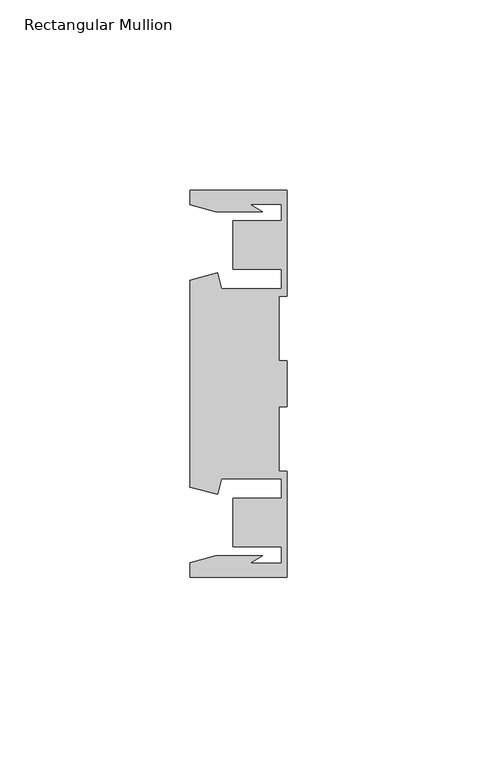
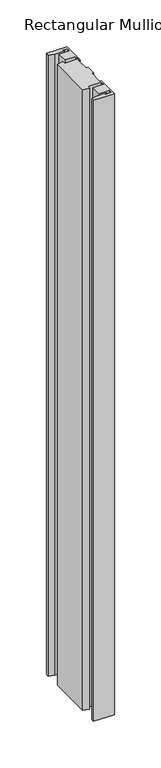
"""IFC4 building model written with IfcOpenShell, lengths in millimetres: member geometry, Rectangular Mullion."""

from ifc_helpers import new_model, si_unit, frame, origin, place, context, project, spatial, polyline, outline, extrude, source, transform, mapped, element, save


def rectangular_mullion_8235e776(model_context):
    return source(origin(), model_context, "Body", "SweptSolid", [
        extrude(outline(polyline([(-25.4, 50.7954622), (0.0, 50.7954622), (0.0, 22.9938072), (-2.0000011, 22.9938072), (-2.0000011, 6.0000032), (0.0, 6.0000032), (0.0, -6.0000032), (-2.0000011, -6.0000032), (-2.0000011, -22.9938072), (0.0, -22.9938072), (0.0, -50.7954622), (-25.4, -50.7954622), (-25.4, -46.9998463), (-18.7113002, -45.2076146), (-6.3834869, -45.2076146), (-9.7005662, -47.1227313), (-1.4138425, -47.1227313), (-1.4138425, -42.8128906), (-14.1138425, -42.8128906), (-14.1138425, -30.1128906), (-1.4138425, -30.1128906), (-1.4138425, -25.0120132), (-17.1094033, -25.0120132), (-18.2017212, -29.0885993), (-25.4, -27.1598263), (-25.4, 27.1598263), (-18.2017212, 29.0885993), (-17.1094033, 25.0120132), (-1.4138425, 25.0120132), (-1.4138425, 30.1128906), (-14.1138425, 30.1128906), (-14.1138425, 42.8128906), (-1.4138425, 42.8128906), (-1.4138425, 47.1227313), (-9.7005662, 47.1227313), (-6.3834869, 45.2076146), (-18.7113002, 45.2076146), (-25.4, 46.9998463), (-25.4, 50.7954622)])), frame((0.0, 0.0, -812.8), z_axis=(0.0, 0.0, 1.0), x_axis=(1.0, 0.0, 0.0)), (0.0, 0.0, 1.0), 812.8),
    ])


if __name__ == "__main__":
    model = new_model("IFC4")
    model_context = context("Model", 3, world=origin())
    ifc_project = project(units=[si_unit("LENGTHUNIT", "METRE", prefix="MILLI")], contexts=[model_context])
    site = spatial("IfcSite", under=ifc_project)
    building = spatial("IfcBuilding", under=site)
    placement = place(None, origin())
    rectangular_mullion_shape = rectangular_mullion_8235e776(model_context)
    element("IfcMember", 1, ObjectType="Rectangular Mullion", at=placement, inside=building, context=model_context, shape_type="MappedRepresentation", body=[
        mapped(rectangular_mullion_shape, transform((0.0, 0.0, 0.0), x_axis=(1.0, 0.0, 0.0), y_axis=(0.0, 1.0, 0.0), z_axis=(0.0, 0.0, 1.0))),
    ])
    save(model, "model.ifc")
